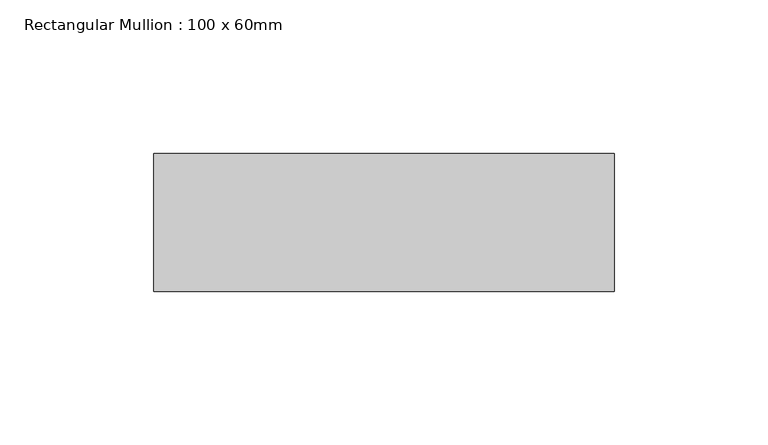
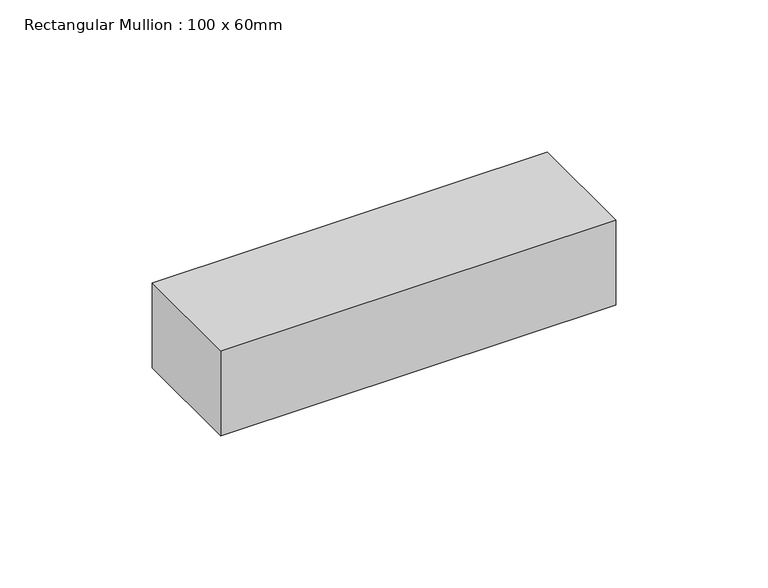
"""IFC4 building model written with IfcOpenShell, lengths in millimetres: member geometry, Rectangular Mullion : 100 x 60mm."""

from ifc_helpers import new_model, si_unit, frame, origin, place, context, project, spatial, polyline, outline, extrude, source, transform, mapped, element, save


def rectangular_mullion_100_x_60mm_a0478f34(model_context):
    return source(origin(), model_context, "Body", "SweptSolid", [
        extrude(outline(polyline([(-150.0, 30.0), (0.0, 30.0), (0.0, -15.0), (-150.0, -15.0), (-150.0, 30.0)])), frame((0.0, 0.0, -34.112237), z_axis=(0.0, 0.0, 1.0), x_axis=(1.0, 0.0, 0.0)), (0.0, 0.0, 1.0), 34.112237),
    ])


if __name__ == "__main__":
    model = new_model("IFC4")
    model_context = context("Model", 3, world=origin())
    ifc_project = project(units=[si_unit("LENGTHUNIT", "METRE", prefix="MILLI")], contexts=[model_context])
    site = spatial("IfcSite", under=ifc_project)
    building = spatial("IfcBuilding", under=site)
    placement = place(None, origin())
    rectangular_mullion_100_x_60mm_shape = rectangular_mullion_100_x_60mm_a0478f34(model_context)
    element("IfcMember", 1, ObjectType="Rectangular Mullion : 100 x 60mm", at=placement, inside=building, context=model_context, shape_type="MappedRepresentation", body=[
        mapped(rectangular_mullion_100_x_60mm_shape, transform((0.0, 0.0, 0.0), x_axis=(1.0, 0.0, 0.0), y_axis=(0.0, 1.0, 0.0), z_axis=(0.0, 0.0, 1.0))),
    ])
    save(model, "model.ifc")
